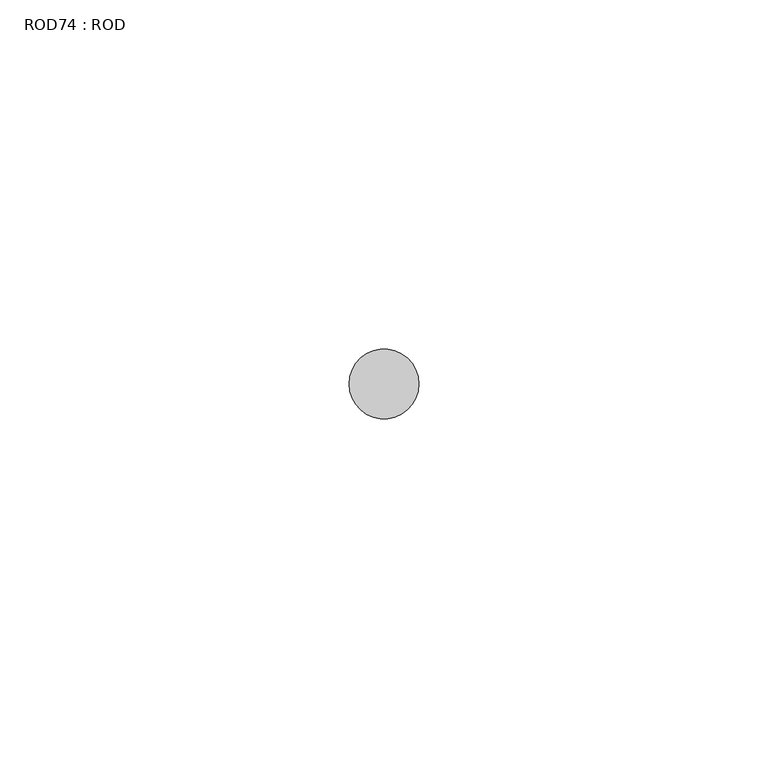
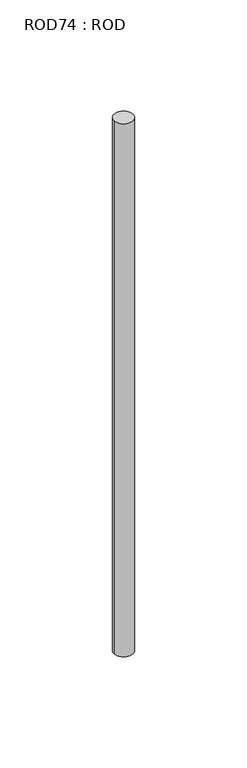
"""IFC4 building model written with IfcOpenShell, lengths in millimetres: proxy geometry, ROD74 : ROD."""

from ifc_helpers import new_model, si_unit, point, frame, frame_2d, origin, place, context, project, spatial, circle_curve, trimmed, segment, composite_curve, outline, extrude, source, transform, mapped, element, save


def rod74_rod_bc9ea916(model_context):
    return source(origin(), model_context, "Body", "SweptSolid", [
        extrude(outline(composite_curve([segment(trimmed(circle_curve(frame_2d((8399.7673324, 1031.8951272)), 5.0), [point((8394.7673324, 1031.8951272))], [point((8404.7673324, 1031.8951272))], False, "CARTESIAN"), True, "CONTINUOUS"), segment(trimmed(circle_curve(frame_2d((8399.7673324, 1031.8951272)), 5.0), [point((8404.7673324, 1031.8951272))], [point((8394.7673324, 1031.8951272))], False, "CARTESIAN"), True, "CONTINUOUS")], self_intersect=False)), frame((0.0, 0.0, -108.6608845), z_axis=(0.0, 0.0, 1.0), x_axis=(1.0, 0.0, 0.0)), (0.0, 0.0, 1.0), 298.9028972),
    ])


if __name__ == "__main__":
    model = new_model("IFC4")
    model_context = context("Model", 3, world=origin())
    ifc_project = project(units=[si_unit("LENGTHUNIT", "METRE", prefix="MILLI")], contexts=[model_context])
    site = spatial("IfcSite", under=ifc_project)
    building = spatial("IfcBuilding", under=site)
    placement = place(None, origin())
    rod74_rod_shape = rod74_rod_bc9ea916(model_context)
    element("IfcBuildingElementProxy", 1, Name="ROD74 : ROD", ObjectType="ROD74 : ROD", at=placement, inside=building, context=model_context, shape_type="MappedRepresentation", body=[
        mapped(rod74_rod_shape, transform((0.0, 0.0, 0.0), x_axis=(1.0, 0.0, 0.0), y_axis=(0.0, 1.0, 0.0), z_axis=(0.0, 0.0, 1.0))),
    ])
    save(model, "model.ifc")
